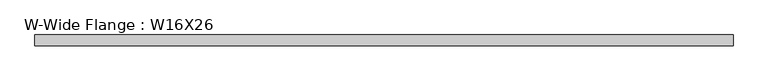
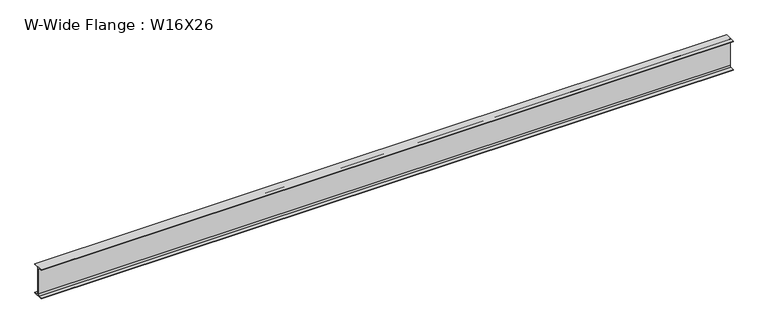
"""IFC4 building model written with IfcOpenShell, lengths in millimetres: beam geometry, W-Wide Flange : W16X26."""

from ifc_helpers import new_model, si_unit, point, frame, frame_2d, origin, place, context, project, spatial, polyline, circle_curve, trimmed, segment, composite_curve, outline, extrude, source, transform, mapped, element, save


def w_wide_flange_w16x26_f9059034(model_context):
    return source(origin(), model_context, "Body", "SweptSolid", [
        extrude(outline(composite_curve([segment(polyline([(69.85, -190.5496094), (69.85, -199.2808594), (-69.85, -199.2808594), (-69.85, -190.5496094), (-21.43125, -190.5496094)]), True, "CONTINUOUS"), segment(trimmed(circle_curve(frame_2d((-21.43125, -172.2933594)), 18.25625), [point((-21.43125, -190.5496094))], [point((-3.175, -172.2933594))], True, "CARTESIAN"), True, "CONTINUOUS"), segment(polyline([(-3.175, -172.2933594), (-3.175, 172.2933594)]), True, "CONTINUOUS"), segment(trimmed(circle_curve(frame_2d((-21.43125, 172.2933594)), 18.25625), [point((-3.175, 172.2933594))], [point((-21.43125, 190.5496094))], True, "CARTESIAN"), True, "CONTINUOUS"), segment(polyline([(-21.43125, 190.5496094), (-69.85, 190.5496094), (-69.85, 199.2808594), (69.85, 199.2808594), (69.85, 190.5496094), (21.43125, 190.5496094)]), True, "CONTINUOUS"), segment(trimmed(circle_curve(frame_2d((21.43125, 172.2933594)), 18.25625), [point((21.43125, 190.5496094))], [point((3.175, 172.2933594))], True, "CARTESIAN"), True, "CONTINUOUS"), segment(polyline([(3.175, 172.2933594), (3.175, -172.2933594)]), True, "CONTINUOUS"), segment(trimmed(circle_curve(frame_2d((21.43125, -172.2933594)), 18.25625), [point((3.175, -172.2933594))], [point((21.43125, -190.5496094))], True, "CARTESIAN"), True, "CONTINUOUS"), segment(polyline([(21.43125, -190.5496094), (69.85, -190.5496094)]), True, "CONTINUOUS")], self_intersect=False)), frame((-4476.353125, 0.0, 0.0), z_axis=(1.0, 0.0, 0.0), x_axis=(0.0, 1.0, 0.0)), (0.0, 0.0, 1.0), 8953.103125),
    ])


if __name__ == "__main__":
    model = new_model("IFC4")
    model_context = context("Model", 3, world=origin())
    ifc_project = project(units=[si_unit("LENGTHUNIT", "METRE", prefix="MILLI")], contexts=[model_context])
    site = spatial("IfcSite", under=ifc_project)
    building = spatial("IfcBuilding", under=site)
    placement = place(None, origin())
    w_wide_flange_w16x26_shape = w_wide_flange_w16x26_f9059034(model_context)
    element("IfcBeam", 1, ObjectType="W-Wide Flange : W16X26", at=placement, inside=building, context=model_context, shape_type="MappedRepresentation", body=[
        mapped(w_wide_flange_w16x26_shape, transform((0.0, 0.0, 0.0), x_axis=(1.0, 0.0, 0.0), y_axis=(0.0, 1.0, 0.0), z_axis=(0.0, 0.0, 1.0))),
    ])
    save(model, "model.ifc")
